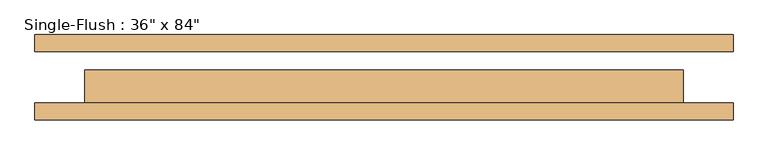
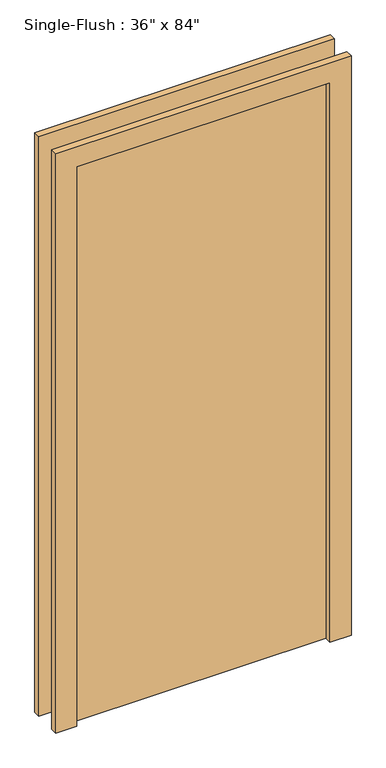
"""IFC4 building model written with IfcOpenShell, lengths in millimetres: door geometry."""

from ifc_helpers import new_model, si_unit, frame, origin, origin_with_axes, place, context, project, spatial, polyline, outline, extrude, source, transform, mapped, element, save


def door_b8faee6d(model_context):
    return source(origin(), model_context, "Body", "SweptSolid", [
        extrude(outline(polyline([(2209.8, -533.4), (0.0, -533.4), (0.0, -457.2), (2133.6, -457.2), (2133.6, 457.2), (0.0, 457.2), (0.0, 533.4), (2209.8, 533.4), (2209.8, -533.4)])), frame((0.0, -65.0875, 0.0), z_axis=(0.0, 1.0, 0.0), x_axis=(0.0, 0.0, 1.0)), (0.0, 0.0, 1.0), 25.4),
        extrude(outline(polyline([(2209.8, 533.4), (2209.8, -533.4), (0.0, -533.4), (0.0, -457.2), (2133.6, -457.2), (2133.6, 457.2), (0.0, 457.2), (0.0, 533.4), (2209.8, 533.4)])), frame((0.0, 39.6875, 0.0), z_axis=(0.0, 1.0, 0.0), x_axis=(0.0, 0.0, 1.0)), (0.0, 0.0, 1.0), 25.4),
        extrude(outline(polyline([(457.2, 11.1125), (457.2, -39.6875), (-457.2, -39.6875), (-457.2, 11.1125), (457.2, 11.1125)])), origin_with_axes(), (0.0, 0.0, 1.0), 2133.6),
    ])


if __name__ == "__main__":
    model = new_model("IFC4")
    model_context = context("Model", 3, world=origin())
    ifc_project = project(units=[si_unit("LENGTHUNIT", "METRE", prefix="MILLI")], contexts=[model_context])
    site = spatial("IfcSite", under=ifc_project)
    building = spatial("IfcBuilding", under=site)
    placement = place(None, origin())
    door_shape = door_b8faee6d(model_context)
    element("IfcDoor", 1, ObjectType="Single-Flush : 36\" x 84\"", at=placement, inside=building, context=model_context, shape_type="MappedRepresentation", body=[
        mapped(door_shape, transform((0.0, 0.0, 0.0), x_axis=(1.0, 0.0, 0.0), y_axis=(0.0, 1.0, 0.0), z_axis=(0.0, 0.0, 1.0))),
    ])
    save(model, "model.ifc")
